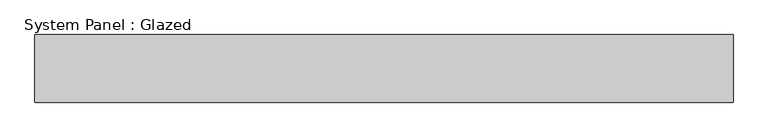
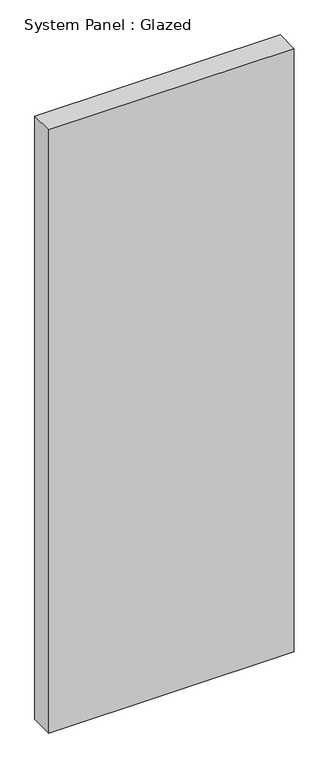
"""IFC4 building model written with IfcOpenShell, lengths in millimetres: plate geometry, System Panel : Glazed."""

from ifc_helpers import new_model, si_unit, origin, origin_with_axes, place, context, project, spatial, polyline, outline, extrude, source, transform, mapped, element, save


def system_panel_glazed_96942f9a(model_context):
    return source(origin(), model_context, "Body", "SweptSolid", [
        extrude(outline(polyline([(513.25, 50.0), (-513.25, 50.0), (-513.25, 150.0), (513.25, 150.0), (513.25, 50.0)])), origin_with_axes(), (0.0, 0.0, 1.0), 2664.6565351),
    ])


if __name__ == "__main__":
    model = new_model("IFC4")
    model_context = context("Model", 3, world=origin())
    ifc_project = project(units=[si_unit("LENGTHUNIT", "METRE", prefix="MILLI")], contexts=[model_context])
    site = spatial("IfcSite", under=ifc_project)
    building = spatial("IfcBuilding", under=site)
    placement = place(None, origin())
    system_panel_glazed_shape = system_panel_glazed_96942f9a(model_context)
    element("IfcPlate", 1, ObjectType="System Panel : Glazed", at=placement, inside=building, context=model_context, shape_type="MappedRepresentation", body=[
        mapped(system_panel_glazed_shape, transform((0.0, 0.0, 0.0), x_axis=(1.0, 0.0, 0.0), y_axis=(0.0, 1.0, 0.0), z_axis=(0.0, 0.0, 1.0))),
    ])
    save(model, "model.ifc")
